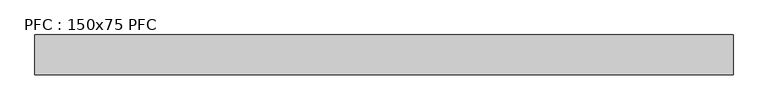
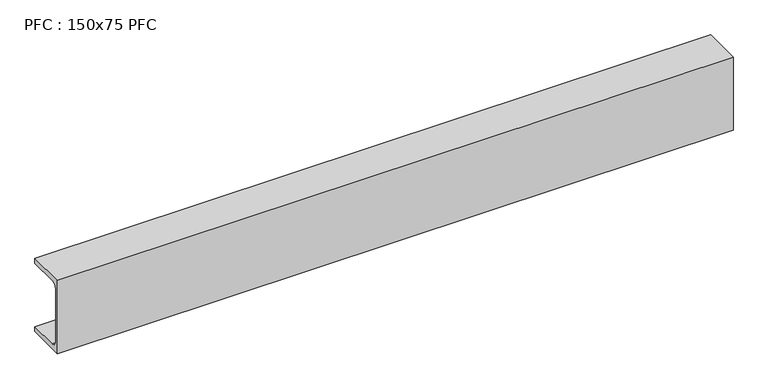
"""IFC4 building model written with IfcOpenShell, lengths in millimetres: beam geometry, PFC : 150x75 PFC."""

from ifc_helpers import new_model, si_unit, point, frame, frame_2d, origin, place, context, project, spatial, polyline, circle_curve, trimmed, segment, composite_curve, outline, extrude, source, transform, mapped, element, save


def pfc_150x75_pfc_c99a6d25(model_context):
    return source(origin(), model_context, "Body", "SweptSolid", [
        extrude(outline(composite_curve([segment(polyline([(0.0, 150.0), (75.0, 150.0), (75.0, 140.0), (17.5, 140.0)]), True, "CONTINUOUS"), segment(trimmed(circle_curve(frame_2d((17.5, 128.0)), 12.0), [point((17.5, 140.0))], [point((5.5, 128.0))], True, "CARTESIAN"), True, "CONTINUOUS"), segment(polyline([(5.5, 128.0), (5.5, 22.0)]), True, "CONTINUOUS"), segment(trimmed(circle_curve(frame_2d((17.5, 22.0)), 12.0), [point((5.5, 22.0))], [point((17.5, 10.0))], True, "CARTESIAN"), True, "CONTINUOUS"), segment(polyline([(17.5, 10.0), (75.0, 10.0), (75.0, 0.0), (0.0, 0.0), (0.0, 150.0)]), True, "CONTINUOUS")], self_intersect=False)), frame((0.0, 0.0, 0.0), z_axis=(1.0, 0.0, 0.0), x_axis=(0.0, 1.0, 0.0)), (0.0, 0.0, 1.0), 1310.0),
    ])


if __name__ == "__main__":
    model = new_model("IFC4")
    model_context = context("Model", 3, world=origin())
    ifc_project = project(units=[si_unit("LENGTHUNIT", "METRE", prefix="MILLI")], contexts=[model_context])
    site = spatial("IfcSite", under=ifc_project)
    building = spatial("IfcBuilding", under=site)
    placement = place(None, origin())
    pfc_150x75_pfc_shape = pfc_150x75_pfc_c99a6d25(model_context)
    element("IfcBeam", 1, ObjectType="PFC : 150x75 PFC", at=placement, inside=building, context=model_context, shape_type="MappedRepresentation", body=[
        mapped(pfc_150x75_pfc_shape, transform((0.0, 0.0, 0.0), x_axis=(1.0, 0.0, 0.0), y_axis=(0.0, 1.0, 0.0), z_axis=(0.0, 0.0, 1.0))),
    ])
    save(model, "model.ifc")
